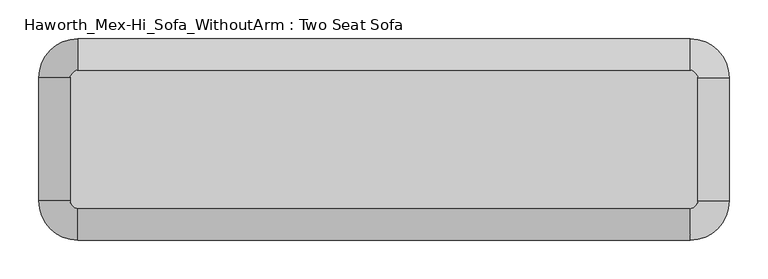
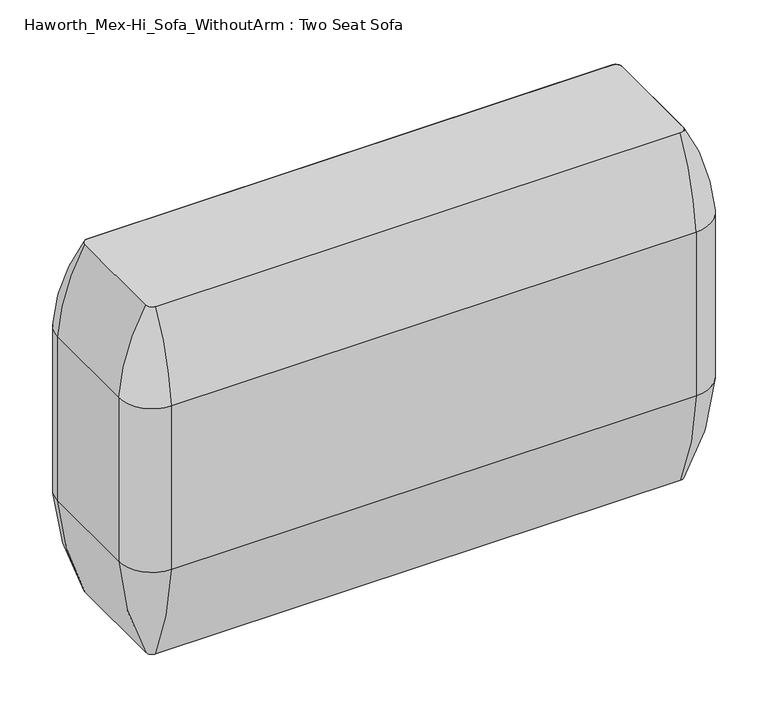
"""IFC4 building model written with IfcOpenShell, lengths in millimetres: furniture geometry, Haworth_Mex-Hi_Sofa_WithoutArm : Two Seat Sofa."""

from ifc_helpers import new_model, si_unit, point, frame, frame_2d, origin, place, context, project, spatial, polyline, circle_curve, ellipse_curve, trimmed, segment, composite_curve, outline, extrude, source, transform, mapped, element, save
from ifc_brep_helpers import plane_surface, cylinder_surface, revolved_surface, advanced_brep


def haworth_mex_hi_sofa_withoutarm_two_seat_sofa_691610c4(model_context):
    return source(origin(), model_context, "Body", "SolidModel", [
        advanced_brep(
        [(740.5862775, 103.5149266, 283.1115097), (740.5862775, 103.5149266, 543.4615097), (740.5862775, -55.2078555, 543.4615097), (740.5862775, -55.2078555, 283.1115097), (699.8599702, 103.5149266, 123.9999984), (699.8599702, -55.2078555, 123.9999984), (699.8599702, 103.5149266, 676.7599216), (699.8599702, -55.2078555, 676.7599216), (690.034895, -105.759238, 283.1115097), (690.034895, -105.759238, 543.4615097), (-99.6917319, -105.759238, 543.4615097), (-99.6917319, -105.759238, 283.1115097), (690.034895, -65.0329307, 123.9999984), (-99.6917319, -65.0329307, 123.9999984), (690.034895, -65.0329307, 676.7599216), (-99.6917319, -65.0329307, 676.7599216), (-150.2431144, -55.2078555, 283.1115097), (-150.2431144, -55.2078555, 543.4615097), (-150.2431144, 103.5149266, 543.4615097), (-150.2431144, 103.5149266, 283.1115097), (-109.5168071, -55.2078555, 123.9999984), (-109.5168071, 103.5149266, 123.9999984), (-109.5168071, -55.2078555, 676.7599216), (-109.5168071, 103.5149266, 676.7599216), (-99.6917319, 154.0663091, 283.1115097), (-99.6917319, 154.0663091, 543.4615097), (690.034895, 154.0663091, 543.4615097), (690.034895, 154.0663091, 283.1115097), (-99.6917319, 113.3400018, 123.9999984), (690.034895, 113.3400018, 123.9999984), (-99.6917319, 113.3400018, 676.7599216), (690.034895, 113.3400018, 676.7599216)],
        [
            (0, 1, circle_curve(frame((-1065.9013647, 103.5149266, 413.2865097), z_axis=(0.0, -1.0, 0.0), x_axis=(1.0, 0.0, 0.0)), 1811.1717567)),
            (1, 2),
            (2, 3, circle_curve(frame((-1065.9013647, -55.2078555, 413.2865097), z_axis=(0.0, 1.0, 0.0), x_axis=(1.0, 0.0, 0.0)), 1811.1717567)),
            (3, 0),
            (4, 0, circle_curve(frame((279.6431823, 103.5149266, 316.3269417), z_axis=(0.0, -1.0, 0.0), x_axis=(1.0, 0.0, 0.0)), 462.1382931)),
            (3, 5, circle_curve(frame((279.6431823, -55.2078555, 316.3269417), z_axis=(0.0, 1.0, 0.0), x_axis=(1.0, 0.0, 0.0)), 462.1382931)),
            (5, 4),
            (6, 4),
            (5, 7),
            (7, 6),
            (8, 9, circle_curve(frame((690.034895, 1700.7284043, 413.2865097), z_axis=(-1.0, 0.0, 0.0), x_axis=(0.0, -1.0, 0.0)), 1811.1717567)),
            (9, 10),
            (10, 11, circle_curve(frame((-99.6917319, 1700.7284043, 413.2865097), z_axis=(1.0, 0.0, 0.0), x_axis=(0.0, -1.0, 0.0)), 1811.1717567)),
            (11, 8),
            (12, 8, circle_curve(frame((690.034895, 355.1838572, 316.3269417), z_axis=(-1.0, 0.0, 0.0), x_axis=(0.0, -1.0, 0.0)), 462.1382931)),
            (11, 13, circle_curve(frame((-99.6917319, 355.1838572, 316.3269417), z_axis=(1.0, 0.0, 0.0), x_axis=(0.0, -1.0, 0.0)), 462.1382931)),
            (13, 12),
            (14, 12),
            (13, 15),
            (15, 14),
            (16, 17, circle_curve(frame((1656.2445278, -55.2078555, 413.2865097), z_axis=(0.0, 1.0, 0.0), x_axis=(-1.0, 0.0, 0.0)), 1811.1717567)),
            (17, 18),
            (18, 19, circle_curve(frame((1656.2445278, 103.5149266, 413.2865097), z_axis=(0.0, -1.0, 0.0), x_axis=(-1.0, 0.0, 0.0)), 1811.1717567)),
            (19, 16),
            (20, 16, circle_curve(frame((310.6999808, -55.2078555, 316.3269417), z_axis=(0.0, 1.0, 0.0), x_axis=(-1.0, 0.0, 0.0)), 462.1382931)),
            (19, 21, circle_curve(frame((310.6999808, 103.5149266, 316.3269417), z_axis=(0.0, -1.0, 0.0), x_axis=(-1.0, 0.0, 0.0)), 462.1382931)),
            (21, 20),
            (22, 20),
            (21, 23),
            (23, 22),
            (24, 25, circle_curve(frame((-99.6917319, -1652.4213331, 413.2865097), z_axis=(1.0, 0.0, 0.0), x_axis=(0.0, 1.0, 0.0)), 1811.1717567)),
            (25, 26),
            (26, 27, circle_curve(frame((690.034895, -1652.4213331, 413.2865097), z_axis=(-1.0, 0.0, 0.0), x_axis=(0.0, 1.0, 0.0)), 1811.1717567)),
            (27, 24),
            (28, 24, circle_curve(frame((-99.6917319, -306.8767861, 316.3269417), z_axis=(1.0, 0.0, 0.0), x_axis=(0.0, 1.0, 0.0)), 462.1382931)),
            (27, 29, circle_curve(frame((690.034895, -306.8767861, 316.3269417), z_axis=(-1.0, 0.0, 0.0), x_axis=(0.0, 1.0, 0.0)), 462.1382931)),
            (29, 28),
            (30, 28),
            (29, 31),
            (31, 30),
            (0, 27, circle_curve(frame((690.034895, 103.5149266, 283.1115097), z_axis=(0.0, 0.0, 1.0), x_axis=(0.0, 1.0, 0.0)), 50.5513825)),
            (26, 1, circle_curve(frame((690.034895, 103.5149266, 543.4615097), z_axis=(0.0, 0.0, -1.0), x_axis=(0.0, 1.0, 0.0)), 50.5513825)),
            (4, 29, circle_curve(frame((690.034895, 103.5149266, 123.9999984), z_axis=(0.0, 0.0, 1.0), x_axis=(0.0, 1.0, 0.0)), 9.8250752)),
            (6, 31, circle_curve(frame((690.034895, 103.5149266, 676.7599216), z_axis=(0.0, 0.0, 1.0), x_axis=(0.0, 1.0, 0.0)), 9.8250752)),
            (8, 3, circle_curve(frame((690.034895, -55.2078555, 283.1115097), z_axis=(0.0, 0.0, 1.0), x_axis=(1.0, 0.0, 0.0)), 50.5513825)),
            (2, 9, circle_curve(frame((690.034895, -55.2078555, 543.4615097), z_axis=(0.0, 0.0, -1.0), x_axis=(1.0, 0.0, 0.0)), 50.5513825)),
            (12, 5, circle_curve(frame((690.034895, -55.2078555, 123.9999984), z_axis=(0.0, 0.0, 1.0), x_axis=(1.0, 0.0, 0.0)), 9.8250752)),
            (14, 7, circle_curve(frame((690.034895, -55.2078555, 676.7599216), z_axis=(0.0, 0.0, 1.0), x_axis=(1.0, 0.0, 0.0)), 9.8250752)),
            (16, 11, circle_curve(frame((-99.6917319, -55.2078555, 283.1115097), z_axis=(0.0, 0.0, 1.0), x_axis=(0.0, -1.0, 0.0)), 50.5513825)),
            (10, 17, circle_curve(frame((-99.6917319, -55.2078555, 543.4615097), z_axis=(0.0, 0.0, -1.0), x_axis=(0.0, -1.0, 0.0)), 50.5513825)),
            (20, 13, circle_curve(frame((-99.6917319, -55.2078555, 123.9999984), z_axis=(0.0, 0.0, 1.0), x_axis=(0.0, -1.0, 0.0)), 9.8250752)),
            (22, 15, circle_curve(frame((-99.6917319, -55.2078555, 676.7599216), z_axis=(0.0, 0.0, 1.0), x_axis=(0.0, -1.0, 0.0)), 9.8250752)),
            (24, 19, circle_curve(frame((-99.6917319, 103.5149266, 283.1115097), z_axis=(0.0, 0.0, 1.0), x_axis=(-1.0, 0.0, 0.0)), 50.5513825)),
            (18, 25, circle_curve(frame((-99.6917319, 103.5149266, 543.4615097), z_axis=(0.0, 0.0, -1.0), x_axis=(-1.0, 0.0, 0.0)), 50.5513825)),
            (28, 21, circle_curve(frame((-99.6917319, 103.5149266, 123.9999984), z_axis=(0.0, 0.0, 1.0), x_axis=(-1.0, 0.0, 0.0)), 9.8250752)),
            (30, 23, circle_curve(frame((-99.6917319, 103.5149266, 676.7599216), z_axis=(0.0, 0.0, 1.0), x_axis=(-1.0, 0.0, 0.0)), 9.8250752)),
            (26, 31, circle_curve(frame((690.034895, -158.0571081, 520.9699825), z_axis=(1.0, 0.0, 0.0), x_axis=(0.0, 1.0, 0.0)), 312.9327346)),
            (6, 1, circle_curve(frame((428.4628603, 103.5149266, 520.9699825), z_axis=(0.0, 1.0, 0.0), x_axis=(1.0, 0.0, 0.0)), 312.9327346)),
            (7, 2, circle_curve(frame((428.4628603, -55.2078555, 520.9699825), z_axis=(0.0, 1.0, 0.0), x_axis=(1.0, 0.0, 0.0)), 312.9327346)),
            (14, 9, circle_curve(frame((690.034895, 206.3641793, 520.9699825), z_axis=(1.0, 0.0, 0.0), x_axis=(0.0, -1.0, 0.0)), 312.9327346)),
            (15, 10, circle_curve(frame((-99.6917319, 206.3641793, 520.9699825), z_axis=(1.0, 0.0, 0.0), x_axis=(0.0, -1.0, 0.0)), 312.9327346)),
            (22, 17, circle_curve(frame((161.8803028, -55.2078555, 520.9699825), z_axis=(0.0, -1.0, 0.0), x_axis=(-1.0, 0.0, 0.0)), 312.9327346)),
            (23, 18, circle_curve(frame((161.8803028, 103.5149266, 520.9699825), z_axis=(0.0, -1.0, 0.0), x_axis=(-1.0, 0.0, 0.0)), 312.9327346)),
            (30, 25, circle_curve(frame((-99.6917319, -158.0571081, 520.9699825), z_axis=(-1.0, 0.0, 0.0), x_axis=(0.0, 1.0, 0.0)), 312.9327346)),
        ],
        [
            cylinder_surface(frame((-1065.9013647, 103.5149266, 413.2865097), z_axis=(0.0, 1.0, 0.0), x_axis=(1.0, 0.0, 0.0)), 1811.1717567),
            cylinder_surface(frame((279.6431823, 103.5149266, 316.3269417), z_axis=(0.0, 1.0, 0.0), x_axis=(1.0, 0.0, 0.0)), 462.1382931),
            plane_surface(frame((699.8599702, 103.5149266, 123.9999984), z_axis=(-1.0, 0.0, 0.0), x_axis=(0.0, -1.0, 0.0))),
            cylinder_surface(frame((690.034895, 1700.7284043, 413.2865097), z_axis=(1.0, 0.0, 0.0), x_axis=(0.0, -1.0, 0.0)), 1811.1717567),
            cylinder_surface(frame((690.034895, 355.1838572, 316.3269417), z_axis=(1.0, 0.0, 0.0), x_axis=(0.0, -1.0, 0.0)), 462.1382931),
            plane_surface(frame((690.034895, -65.0329307, 123.9999984), z_axis=(0.0, 1.0, 0.0), x_axis=(-1.0, 0.0, 0.0))),
            cylinder_surface(frame((1656.2445278, -55.2078555, 413.2865097), z_axis=(0.0, -1.0, 0.0), x_axis=(-1.0, 0.0, 0.0)), 1811.1717567),
            cylinder_surface(frame((310.6999808, -55.2078555, 316.3269417), z_axis=(0.0, -1.0, 0.0), x_axis=(-1.0, 0.0, 0.0)), 462.1382931),
            plane_surface(frame((-109.5168071, -55.2078555, 123.9999984), z_axis=(1.0, 0.0, 0.0), x_axis=(0.0, 1.0, 0.0))),
            cylinder_surface(frame((-99.6917319, -1652.4213331, 413.2865097), z_axis=(-1.0, 0.0, 0.0), x_axis=(0.0, 1.0, 0.0)), 1811.1717567),
            cylinder_surface(frame((-99.6917319, -306.8767861, 316.3269417), z_axis=(-1.0, 0.0, 0.0), x_axis=(0.0, 1.0, 0.0)), 462.1382931),
            plane_surface(frame((-99.6917319, 113.3400018, 123.9999984), z_axis=(0.0, -1.0, 0.0), x_axis=(1.0, 0.0, 0.0))),
            revolved_surface(trimmed(ellipse_curve(frame((690.034895, -1652.4213331, 413.2865097), z_axis=(-1.0, 0.0, 0.0), x_axis=(0.0, 1.0, 0.0)), 1811.1717567, 1811.1717567), [point((690.034895, 154.0663091, 543.4615097))], [point((690.034895, 154.0663091, 283.1115097))], True, "CARTESIAN"), (690.034895, 103.5149266, -1.2587073), (0.0, 0.0, -1.0)),
            revolved_surface(trimmed(ellipse_curve(frame((690.034895, -306.8767861, 316.3269417), z_axis=(-1.0, 0.0, 0.0), x_axis=(0.0, 1.0, 0.0)), 462.1382931, 462.1382931), [point((690.034895, 154.0663091, 283.1115097))], [point((690.034895, 113.3400018, 123.9999984))], True, "CARTESIAN"), (690.034895, 103.5149266, -1.2587073), (0.0, 0.0, -1.0)),
            revolved_surface(polyline([(690.034895, 113.3400018, 123.9999984), (690.034895, 113.3400018, 676.7599216)]), (690.034895, 103.5149266, -1.2587073), (0.0, 0.0, -1.0)),
            revolved_surface(trimmed(ellipse_curve(frame((-1065.9013647, -55.2078555, 413.2865097), z_axis=(0.0, 1.0, 0.0), x_axis=(1.0, 0.0, 0.0)), 1811.1717567, 1811.1717567), [point((740.5862775, -55.2078555, 543.4615097))], [point((740.5862775, -55.2078555, 283.1115097))], True, "CARTESIAN"), (690.034895, -55.2078555, -1.2587073), (0.0, 0.0, -1.0)),
            revolved_surface(trimmed(ellipse_curve(frame((279.6431823, -55.2078555, 316.3269417), z_axis=(0.0, 1.0, 0.0), x_axis=(1.0, 0.0, 0.0)), 462.1382931, 462.1382931), [point((740.5862775, -55.2078555, 283.1115097))], [point((699.8599702, -55.2078555, 123.9999984))], True, "CARTESIAN"), (690.034895, -55.2078555, -1.2587073), (0.0, 0.0, -1.0)),
            revolved_surface(polyline([(699.8599702, -55.2078555, 123.9999984), (699.8599702, -55.2078555, 676.7599216)]), (690.034895, -55.2078555, -1.2587073), (0.0, 0.0, -1.0)),
            revolved_surface(trimmed(ellipse_curve(frame((-99.6917319, 1700.7284043, 413.2865097), z_axis=(1.0, 0.0, 0.0), x_axis=(0.0, -1.0, 0.0)), 1811.1717567, 1811.1717567), [point((-99.6917319, -105.759238, 543.4615097))], [point((-99.6917319, -105.759238, 283.1115097))], True, "CARTESIAN"), (-99.6917319, -55.2078555, -1.2587073), (0.0, 0.0, -1.0)),
            revolved_surface(trimmed(ellipse_curve(frame((-99.6917319, 355.1838572, 316.3269417), z_axis=(1.0, 0.0, 0.0), x_axis=(0.0, -1.0, 0.0)), 462.1382931, 462.1382931), [point((-99.6917319, -105.759238, 283.1115097))], [point((-99.6917319, -65.0329307, 123.9999984))], True, "CARTESIAN"), (-99.6917319, -55.2078555, -1.2587073), (0.0, 0.0, -1.0)),
            revolved_surface(polyline([(-99.6917319, -65.03293070000001, 123.9999984), (-99.6917319, -65.03293070000001, 676.7599216)]), (-99.6917319, -55.2078555, -1.2587073), (0.0, 0.0, -1.0)),
            revolved_surface(trimmed(ellipse_curve(frame((1656.2445278, 103.5149266, 413.2865097), z_axis=(0.0, -1.0, 0.0), x_axis=(-1.0, 0.0, 0.0)), 1811.1717567, 1811.1717567), [point((-150.2431144, 103.5149266, 543.4615097))], [point((-150.2431144, 103.5149266, 283.1115097))], True, "CARTESIAN"), (-99.6917319, 103.5149266, -1.2587073), (0.0, 0.0, -1.0)),
            revolved_surface(trimmed(ellipse_curve(frame((310.6999808, 103.5149266, 316.3269417), z_axis=(0.0, -1.0, 0.0), x_axis=(-1.0, 0.0, 0.0)), 462.1382931, 462.1382931), [point((-150.2431144, 103.5149266, 283.1115097))], [point((-109.5168071, 103.5149266, 123.9999984))], True, "CARTESIAN"), (-99.6917319, 103.5149266, -1.2587073), (0.0, 0.0, -1.0)),
            revolved_surface(polyline([(-109.5168071, 103.5149266, 123.9999984), (-109.5168071, 103.5149266, 676.7599216)]), (-99.6917319, 103.5149266, -1.2587073), (0.0, 0.0, -1.0)),
            revolved_surface(trimmed(ellipse_curve(frame((690.034895, -158.0571081, 520.9699825), z_axis=(-1.0, 0.0, 0.0), x_axis=(0.0, 1.0, 0.0)), 312.9327346, 312.9327346), [point((690.034895, 113.3400018, 676.7599216))], [point((690.034895, 154.0663091, 543.4615097))], True, "CARTESIAN"), (690.034895, 103.5149266, -1.2587073), (0.0, 0.0, -1.0)),
            cylinder_surface(frame((428.4628603, 103.5149266, 520.9699825), z_axis=(0.0, 1.0, 0.0), x_axis=(1.0, 0.0, 0.0)), 312.9327346),
            revolved_surface(trimmed(ellipse_curve(frame((428.4628603, -55.2078555, 520.9699825), z_axis=(0.0, 1.0, 0.0), x_axis=(1.0, 0.0, 0.0)), 312.9327346, 312.9327346), [point((699.8599702, -55.2078555, 676.7599216))], [point((740.5862775, -55.2078555, 543.4615097))], True, "CARTESIAN"), (690.034895, -55.2078555, -1.2587073), (0.0, 0.0, -1.0)),
            cylinder_surface(frame((690.034895, 206.3641793, 520.9699825), z_axis=(1.0, 0.0, 0.0), x_axis=(0.0, -1.0, 0.0)), 312.9327346),
            revolved_surface(trimmed(ellipse_curve(frame((-99.6917319, 206.3641793, 520.9699825), z_axis=(1.0, 0.0, 0.0), x_axis=(0.0, -1.0, 0.0)), 312.9327346, 312.9327346), [point((-99.6917319, -65.0329307, 676.7599216))], [point((-99.6917319, -105.759238, 543.4615097))], True, "CARTESIAN"), (-99.6917319, -55.2078555, -1.2587073), (0.0, 0.0, -1.0)),
            cylinder_surface(frame((161.8803028, -55.2078555, 520.9699825), z_axis=(0.0, -1.0, 0.0), x_axis=(-1.0, 0.0, 0.0)), 312.9327346),
            revolved_surface(trimmed(ellipse_curve(frame((161.8803028, 103.5149266, 520.9699825), z_axis=(0.0, -1.0, 0.0), x_axis=(-1.0, 0.0, 0.0)), 312.9327346, 312.9327346), [point((-109.5168071, 103.5149266, 676.7599216))], [point((-150.2431144, 103.5149266, 543.4615097))], True, "CARTESIAN"), (-99.6917319, 103.5149266, -1.2587073), (0.0, 0.0, -1.0)),
            cylinder_surface(frame((-99.6917319, -158.0571081, 520.9699825), z_axis=(-1.0, 0.0, 0.0), x_axis=(0.0, 1.0, 0.0)), 312.9327346),
        ],
        [
            (0, [[1, 2, 3, 4]]),
            (1, [[5, -4, 6, 7]]),
            (2, [[8, -7, 9, 10]]),
            (3, [[11, 12, 13, 14]]),
            (4, [[15, -14, 16, 17]]),
            (5, [[18, -17, 19, 20]]),
            (6, [[21, 22, 23, 24]]),
            (7, [[25, -24, 26, 27]]),
            (8, [[28, -27, 29, 30]]),
            (9, [[31, 32, 33, 34]]),
            (10, [[35, -34, 36, 37]]),
            (11, [[38, -37, 39, 40]]),
            (12, [[41, -33, 42, -1]]),
            (13, [[43, -36, -41, -5]]),
            (14, [[44, -39, -43, -8]]),
            (15, [[45, -3, 46, -11]]),
            (16, [[47, -6, -45, -15]]),
            (17, [[48, -9, -47, -18]]),
            (18, [[49, -13, 50, -21]]),
            (19, [[51, -16, -49, -25]]),
            (20, [[52, -19, -51, -28]]),
            (21, [[53, -23, 54, -31]]),
            (22, [[55, -26, -53, -35]]),
            (23, [[56, -29, -55, -38]]),
            (24, [[-42, 57, -44, 58]]),
            (25, [[-58, -10, 59, -2]]),
            (26, [[-46, -59, -48, 60]]),
            (27, [[-60, -20, 61, -12]]),
            (28, [[-50, -61, -52, 62]]),
            (29, [[-62, -30, 63, -22]]),
            (30, [[-54, -63, -56, 64]]),
            (31, [[-64, -40, -57, -32]]),
        ],
    ),
        extrude(outline(composite_curve([segment(polyline([(-109.5168071, -55.2078555), (-109.5168071, 103.5149266)]), True, "CONTINUOUS"), segment(trimmed(circle_curve(frame_2d((-99.6917319, 103.5149266)), 9.8250752), [point((-109.5168071, 103.5149266))], [point((-99.6917319, 113.3400018))], False, "CARTESIAN"), True, "CONTINUOUS"), segment(polyline([(-99.6917319, 113.3400018), (690.034895, 113.3400018)]), True, "CONTINUOUS"), segment(trimmed(circle_curve(frame_2d((690.034895, 103.5149266)), 9.8250752), [point((690.034895, 113.3400018))], [point((699.8599702, 103.5149266))], False, "CARTESIAN"), True, "CONTINUOUS"), segment(polyline([(699.8599702, 103.5149266), (699.8599702, -55.2078555)]), True, "CONTINUOUS"), segment(trimmed(circle_curve(frame_2d((690.034895, -55.2078555)), 9.8250752), [point((699.8599702, -55.2078555))], [point((690.034895, -65.0329307))], False, "CARTESIAN"), True, "CONTINUOUS"), segment(polyline([(690.034895, -65.0329307), (-99.6917319, -65.0329307)]), True, "CONTINUOUS"), segment(trimmed(circle_curve(frame_2d((-99.6917319, -55.2078555)), 9.8250752), [point((-99.6917319, -65.0329307))], [point((-109.5168071, -55.2078555))], False, "CARTESIAN"), True, "CONTINUOUS")], self_intersect=False)), frame((0.0, 0.0, 123.9999984), z_axis=(0.0, 0.0, 1.0), x_axis=(1.0, 0.0, 0.0)), (0.0, 0.0, 1.0), 552.7599232),
    ])


if __name__ == "__main__":
    model = new_model("IFC4")
    model_context = context("Model", 3, world=origin())
    ifc_project = project(units=[si_unit("LENGTHUNIT", "METRE", prefix="MILLI")], contexts=[model_context])
    site = spatial("IfcSite", under=ifc_project)
    building = spatial("IfcBuilding", under=site)
    placement = place(None, origin())
    haworth_mex_hi_sofa_withoutarm_two_seat_sofa_shape = haworth_mex_hi_sofa_withoutarm_two_seat_sofa_691610c4(model_context)
    element("IfcFurniture", 1, ObjectType="Haworth_Mex-Hi_Sofa_WithoutArm : Two Seat Sofa", at=placement, inside=building, context=model_context, shape_type="MappedRepresentation", body=[
        mapped(haworth_mex_hi_sofa_withoutarm_two_seat_sofa_shape, transform((0.0, 0.0, 0.0), x_axis=(1.0, 0.0, 0.0), y_axis=(0.0, 1.0, 0.0), z_axis=(0.0, 0.0, 1.0))),
    ])
    save(model, "model.ifc")
